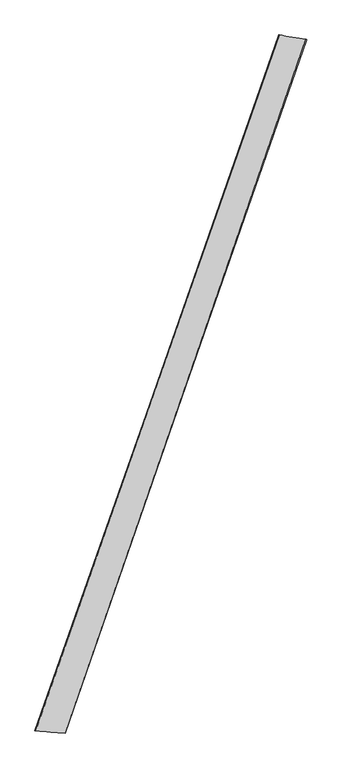
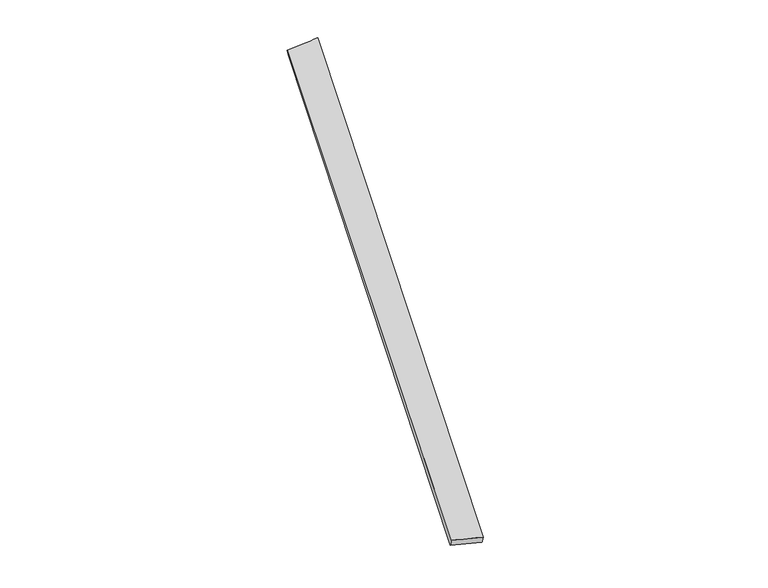
"""IFC4 building model written with IfcOpenShell, lengths in millimetres: proxy geometry."""

import ifcopenshell
import ifcopenshell.guid

model = None  # the IFC model being written
_history = None  # IfcOwnerHistory: only IFC2X3 demands one
_inside = {}  # id of a spatial element -> (the spatial element, [elements in it])
_under = {}  # id of a project, library or spatial element -> (it, [spatial elements below it])
_declared = {}  # id of a project -> (the project, [libraries it declares])
_typed = {}  # id of a type object -> (the type object, [elements of that type])
_made_of = {}  # id of a material, layer set ... -> (it, [elements and type objects made of it])


def new_model(schema):
    """Start an empty IFC model of exactly this schema.

    Asked for "IFC4X3", IfcOpenShell would pick the latest addendum, in which some entities
    have other attributes; the version numbers below select the first issue.
    IFC2X3 requires an IfcOwnerHistory on every rooted entity: one is made here for all.
    """
    global model, _history
    if schema == "IFC4X3":
        model = ifcopenshell.file(schema_version=(4, 3, 0, 0))
    else:
        model = ifcopenshell.file(schema=schema)
    _inside.clear()
    _under.clear()
    _declared.clear()
    _typed.clear()
    _made_of.clear()
    _history = None
    if model.schema == "IFC2X3":
        org = make("IfcOrganization", Name="unknown")
        user = make(
            "IfcPersonAndOrganization",
            ThePerson=make("IfcPerson", FamilyName="unknown"),
            TheOrganization=org,
        )
        app = make(
            "IfcApplication",
            ApplicationDeveloper=org,
            Version="unknown",
            ApplicationFullName="unknown",
            ApplicationIdentifier="unknown",
        )
        _history = make(
            "IfcOwnerHistory",
            OwningUser=user,
            OwningApplication=app,
            ChangeAction="ADDED",
            CreationDate=0,
        )
    return model


def make(cls, **values):
    """One entity of the class cls with the attributes given. An attribute that is None is left unset."""
    return model.create_entity(
        cls, **{name: value for name, value in values.items() if value is not None}
    )


def rooted(cls, **values):
    """An entity with a GlobalId (a new one), such as an element, a storey or a relation."""
    return make(cls, GlobalId=ifcopenshell.guid.new(), OwnerHistory=_history, **values)


def si_unit(unit_type, name, prefix=None):
    """IfcSIUnit, for example si_unit("LENGTHUNIT", "METRE", prefix="MILLI")."""
    return make("IfcSIUnit", UnitType=unit_type, Prefix=prefix, Name=name)


def assignment(units):
    """IfcUnitAssignment: the units of a project."""
    return None if units is None else make("IfcUnitAssignment", Units=units)


def point(xyz):
    """IfcCartesianPoint."""
    return None if xyz is None else make("IfcCartesianPoint", Coordinates=xyz)


def direction(xyz):
    """IfcDirection."""
    return None if xyz is None else make("IfcDirection", DirectionRatios=xyz)


def frame(location, z_axis=None, x_axis=None):
    """IfcAxis2Placement3D, a coordinate frame: its origin and axes. An axis left out is left unset."""
    return make(
        "IfcAxis2Placement3D",
        Location=point(location),
        Axis=direction(z_axis),
        RefDirection=direction(x_axis),
    )


def origin():
    """The frame at (0, 0, 0) with its axes left unset."""
    return frame((0.0, 0.0, 0.0))


def place(relative_to, where):
    """IfcLocalPlacement: puts the frame where relative to a parent placement (None: the world)."""
    return make(
        "IfcLocalPlacement", PlacementRelTo=relative_to, RelativePlacement=where
    )


def context(
    kind, dimensions, precision=None, world=None, true_north=None, identifier=None
):
    """IfcGeometricRepresentationContext, for example the 3D "Model" context."""
    return make(
        "IfcGeometricRepresentationContext",
        ContextIdentifier=identifier,
        ContextType=kind,
        CoordinateSpaceDimension=dimensions,
        Precision=precision,
        WorldCoordinateSystem=world,
        TrueNorth=true_north,
    )


def project(units=None, contexts=None):
    """IfcProject with its units and contexts."""
    return rooted(
        "IfcProject",
        Name="project",
        RepresentationContexts=contexts,
        UnitsInContext=assignment(units),
    )


def spatial(cls, under=None, at=None, **own):
    """A site, building, storey or space (cls), placed at a placement, below another one or the project."""
    s = rooted(cls, ObjectPlacement=at, **own)
    if under is not None:
        _under.setdefault(under.id(), (under, []))[1].append(s)
    return s


def shape(context_of_items, identifier, shape_type, items):
    """IfcShapeRepresentation: the items that make up one representation, for example the "Body"."""
    return make(
        "IfcShapeRepresentation",
        ContextOfItems=context_of_items,
        RepresentationIdentifier=identifier,
        RepresentationType=shape_type,
        Items=items,
    )


def source(mapping_origin, context_of_items, identifier, shape_type, items):
    """IfcRepresentationMap: a shape defined once, which mapped items show again and again."""
    return make(
        "IfcRepresentationMap",
        MappingOrigin=mapping_origin,
        MappedRepresentation=shape(context_of_items, identifier, shape_type, items),
    )


def transform(
    local_origin,
    x_axis=None,
    y_axis=None,
    z_axis=None,
    scale=None,
    scale2=None,
    scale3=None,
    uniform=True,
):
    """IfcCartesianTransformationOperator3D, or its non-uniform kind. x_axis, y_axis, z_axis: its Axis1, 2, 3."""
    if uniform:
        return make(
            "IfcCartesianTransformationOperator3D",
            Axis1=direction(x_axis),
            Axis2=direction(y_axis),
            LocalOrigin=point(local_origin),
            Scale=scale,
            Axis3=direction(z_axis),
        )
    return make(
        "IfcCartesianTransformationOperator3DnonUniform",
        Axis1=direction(x_axis),
        Axis2=direction(y_axis),
        LocalOrigin=point(local_origin),
        Scale=scale,
        Axis3=direction(z_axis),
        Scale2=scale2,
        Scale3=scale3,
    )


def mapped(mapping_source, mapping_target):
    """IfcMappedItem: shows the shape of a source again, moved by a transform."""
    return make(
        "IfcMappedItem", MappingSource=mapping_source, MappingTarget=mapping_target
    )


def made_of(thing, what):
    """Note that an element or type object is made of a material, layer set ...; save() writes the relation."""
    if what is not None:
        _made_of.setdefault(what.id(), (what, []))[1].append(thing)
    return thing


def element(
    cls,
    number,
    at=None,
    inside=None,
    cuts=None,
    type_object=None,
    material=None,
    context=None,
    identifier="Body",
    shape_type=None,
    held_by="IfcProductDefinitionShape",
    body=None,
    shapes=None,
    **own,
):
    """One element of the class cls, such as IfcWall. Its Tag is "e" and its number.

    at: its placement. inside: the storey or other place that contains it. cuts: it is an
    opening in that element (IfcRelVoidsElement). A single representation is given by context,
    identifier, shape_type and body (its items); several are given by shapes. held_by: the class
    of the entity that holds the representations. save() writes the other relations.
    """
    e = rooted(cls, Tag="e%d" % number, ObjectPlacement=at, **own)
    if body is not None:
        shapes = [shape(context, identifier, shape_type, body)]
    if shapes is not None:
        e.Representation = make(held_by, Representations=shapes)
    if inside is not None:
        _inside.setdefault(inside.id(), (inside, []))[1].append(e)
    if cuts is not None:
        rooted(
            "IfcRelVoidsElement", RelatingBuildingElement=cuts, RelatedOpeningElement=e
        )
    if type_object is not None:
        _typed.setdefault(type_object.id(), (type_object, []))[1].append(e)
    return made_of(e, material)


def aggregate(whole, parts):
    """IfcRelAggregates: a whole, such as a stair, and the parts it consists of."""
    return rooted("IfcRelAggregates", RelatingObject=whole, RelatedObjects=parts)


def save(model, path):
    """Write the relations noted so far, then the file.

    IfcRelAggregates (storeys below a building ...), IfcRelContainedInSpatialStructure (elements
    in a storey), IfcRelDefinesByType, IfcRelAssociatesMaterial and IfcRelDeclares: one each for
    every whole, place, type object, material and project.
    """
    for whole, parts in _under.values():
        aggregate(whole, parts)
    for where, things in _inside.values():
        rooted(
            "IfcRelContainedInSpatialStructure",
            RelatedElements=things,
            RelatingStructure=where,
        )
    for kind, things in _typed.values():
        rooted("IfcRelDefinesByType", RelatedObjects=things, RelatingType=kind)
    for what, things in _made_of.values():
        rooted("IfcRelAssociatesMaterial", RelatedObjects=things, RelatingMaterial=what)
    for by, libraries in _declared.values():
        rooted("IfcRelDeclares", RelatingContext=by, RelatedDefinitions=libraries)
    model.write(path)


def spline_surface(u_degree, v_degree, points, u_multiplicities, v_multiplicities, u_knots, v_knots, weights=None):
    """IfcBSplineSurfaceWithKnots; with weights, IfcRationalBSplineSurfaceWithKnots. points: one row for each step in u."""
    own = dict(
        UDegree=u_degree,
        VDegree=v_degree,
        ControlPointsList=[[point(p) for p in row] for row in points],
        SurfaceForm="UNSPECIFIED",
        UClosed=False,
        VClosed=False,
        SelfIntersect=False,
        UMultiplicities=u_multiplicities,
        VMultiplicities=v_multiplicities,
        UKnots=u_knots,
        VKnots=v_knots,
        KnotSpec="UNSPECIFIED",
    )
    if weights is None:
        return make("IfcBSplineSurfaceWithKnots", **own)
    return make("IfcRationalBSplineSurfaceWithKnots", WeightsData=weights, **own)


def advanced_brep(points, edges, surfaces, faces):
    """IfcAdvancedBrep: a solid bounded by faces that lie on surfaces and meet in shared edges.

    An edge is (start, end): straight between two places in points (the first is 0);
    or (start, end, curve); or (start, end, curve, False) where it runs against its curve.
    A face is (place in surfaces, loops), or (place, loops, False) where it looks against
    its surface's normal. A loop lists edges by number (the first is 1), with a minus sign
    where the edge is run from its end to its start. The first loop is the outer one.
    """
    corners = [point(p) for p in points]
    vertices = [make("IfcVertexPoint", VertexGeometry=c) for c in corners]
    made = []
    for start, end, *more in edges:
        made.append(
            make(
                "IfcEdgeCurve",
                EdgeStart=vertices[start],
                EdgeEnd=vertices[end],
                EdgeGeometry=more[0] if more else make("IfcPolyline", Points=[corners[start], corners[end]]),
                SameSense=more[1] if len(more) > 1 else True,
            )
        )
    hull = []
    for where, loops, *sense in faces:
        bounds = []
        for j, loop in enumerate(loops):
            ring = [make("IfcOrientedEdge", EdgeElement=made[abs(k) - 1], Orientation=k > 0) for k in loop]
            bounds.append(
                make(
                    "IfcFaceOuterBound" if j == 0 else "IfcFaceBound",
                    Bound=make("IfcEdgeLoop", EdgeList=ring),
                    Orientation=True,
                )
            )
        hull.append(make("IfcAdvancedFace", Bounds=bounds, FaceSurface=surfaces[where], SameSense=sense[0] if sense else True))
    return make("IfcAdvancedBrep", Outer=make("IfcClosedShell", CfsFaces=hull))


def generic_models_ea87f93b(model_context):
    return source(origin(), model_context, "Body", "AdvancedBrep", [
        advanced_brep(
        [(-704.8170295, -1785.5364746, 16.2374207), (-699.2934225, -1787.2353588, 45.6755517), (688.0215352, 2186.1529768, 12.1873877), (693.9074265, 2183.8323359, -17.1378729), (-531.5325857, -1799.4756825, 13.1002223), (841.6037876, 2160.9769167, 46.4377799), (-537.0986576, -1797.2780927, -16.2968769), (848.0082606, 2158.9822314, 17.1973292)],
        [
            (0, 1),
            (1, 2),
            (2, 3),
            (3, 0),
            (1, 4),
            (4, 5),
            (5, 2),
            (4, 6),
            (6, 7),
            (7, 5),
            (6, 0),
            (3, 7),
        ],
        [
            spline_surface(1, 1, [[(-704.8170295, -1785.5364746, 16.2374207), (693.9074265, 2183.8323359, -17.1378729)], [(-699.2934225, -1787.2353588, 45.6755517), (688.0215352, 2186.1529768, 12.1873877)]], [2, 2], [2, 2], [0.0, 1.0], [0.0, 1.0]),
            spline_surface(1, 1, [[(-699.2934225, -1787.2353588, 45.6755517), (688.0215352, 2186.1529768, 12.1873877)], [(-531.5325857, -1799.4756825, 13.1002223), (841.6037876, 2160.9769167, 46.4377799)]], [2, 2], [2, 2], [0.0, 1.0], [0.0, 1.0]),
            spline_surface(1, 1, [[(-531.5325857, -1799.4756825, 13.1002223), (841.6037876, 2160.9769167, 46.4377799)], [(-537.0986576, -1797.2780927, -16.2968769), (848.0082606, 2158.9822314, 17.1973292)]], [2, 2], [2, 2], [0.0, 1.0], [0.0, 1.0]),
            spline_surface(1, 1, [[(-537.0986576, -1797.2780927, -16.2968769), (848.0082606, 2158.9822314, 17.1973292)], [(-704.8170295, -1785.5364746, 16.2374207), (693.9074265, 2183.8323359, -17.1378729)]], [2, 2], [2, 2], [0.0, 1.0], [0.0, 1.0]),
            spline_surface(1, 1, [[(688.0215352, 2186.1529768, 12.1873877), (693.9074265, 2183.8323359, -17.1378729)], [(841.6037876, 2160.9769167, 46.4377799), (848.0082606, 2158.9822314, 17.1973292)]], [2, 2], [2, 2], [0.0, 1.0], [0.0, 1.0]),
            spline_surface(1, 1, [[(-537.0986576, -1797.2780927, -16.2968769), (-704.8170295, -1785.5364746, 16.2374207)], [(-531.5325857, -1799.4756825, 13.1002223), (-699.2934225, -1787.2353588, 45.6755517)]], [2, 2], [2, 2], [0.0, 1.0], [0.0, 1.0]),
        ],
        [
            (0, [[1, 2, 3, 4]]),
            (1, [[5, 6, 7, -2]]),
            (2, [[8, 9, 10, -6]]),
            (3, [[11, -4, 12, -9]]),
            (4, [[-3, -7, -10, -12]]),
            (5, [[-11, -8, -5, -1]]),
        ],
    ),
    ])


if __name__ == "__main__":
    model = new_model("IFC4")
    model_context = context("Model", 3, world=origin())
    ifc_project = project(units=[si_unit("LENGTHUNIT", "METRE", prefix="MILLI")], contexts=[model_context])
    site = spatial("IfcSite", under=ifc_project)
    building = spatial("IfcBuilding", under=site)
    placement = place(None, origin())
    generic_models_shape = generic_models_ea87f93b(model_context)
    element("IfcBuildingElementProxy", 1, Name="Generic Models", at=placement, inside=building, context=model_context, shape_type="MappedRepresentation", body=[
        mapped(generic_models_shape, transform((0.0, 0.0, 0.0), x_axis=(1.0, 0.0, 0.0), y_axis=(0.0, 1.0, 0.0), z_axis=(0.0, 0.0, 1.0))),
    ])
    save(model, "model.ifc")
